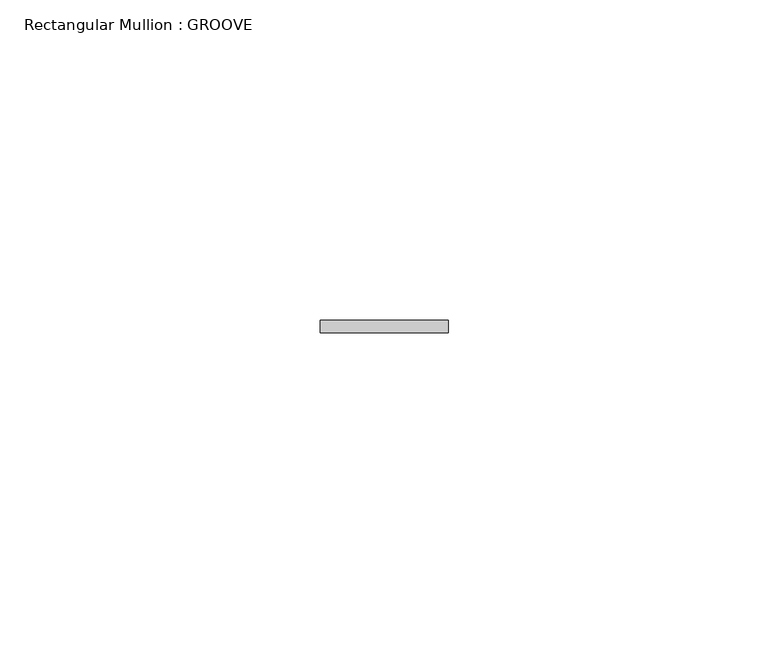
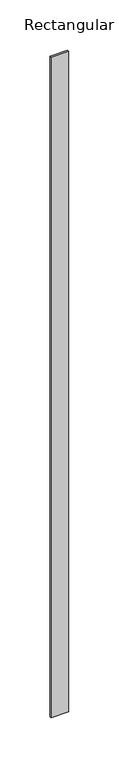
"""IFC4 building model written with IfcOpenShell, lengths in millimetres: member geometry, Rectangular Mullion : GROOVE."""

from ifc_helpers import new_model, si_unit, frame, origin, place, context, project, spatial, polyline, outline, extrude, source, transform, mapped, element, save


def rectangular_mullion_groove_10a77a87(model_context):
    return source(origin(), model_context, "Body", "SweptSolid", [
        extrude(outline(polyline([(10.0, 51.0), (10.0, 49.0), (-10.0, 49.0), (-10.0, 51.0), (10.0, 51.0)])), frame((0.0, 0.0, -800.0), z_axis=(0.0, 0.0, 1.0), x_axis=(1.0, 0.0, 0.0)), (0.0, 0.0, 1.0), 800.0),
    ])


if __name__ == "__main__":
    model = new_model("IFC4")
    model_context = context("Model", 3, world=origin())
    ifc_project = project(units=[si_unit("LENGTHUNIT", "METRE", prefix="MILLI")], contexts=[model_context])
    site = spatial("IfcSite", under=ifc_project)
    building = spatial("IfcBuilding", under=site)
    placement = place(None, origin())
    rectangular_mullion_groove_shape = rectangular_mullion_groove_10a77a87(model_context)
    element("IfcMember", 1, ObjectType="Rectangular Mullion : GROOVE", at=placement, inside=building, context=model_context, shape_type="MappedRepresentation", body=[
        mapped(rectangular_mullion_groove_shape, transform((0.0, 0.0, 0.0), x_axis=(1.0, 0.0, 0.0), y_axis=(0.0, 1.0, 0.0), z_axis=(0.0, 0.0, 1.0))),
    ])
    save(model, "model.ifc")
